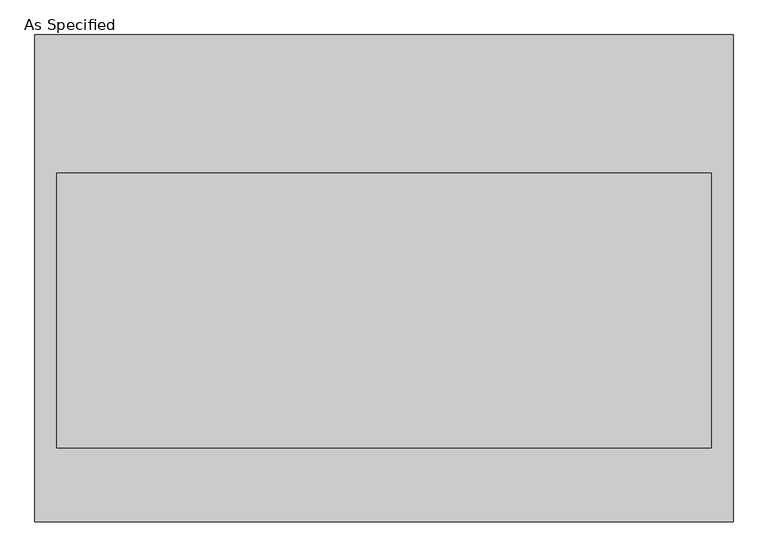
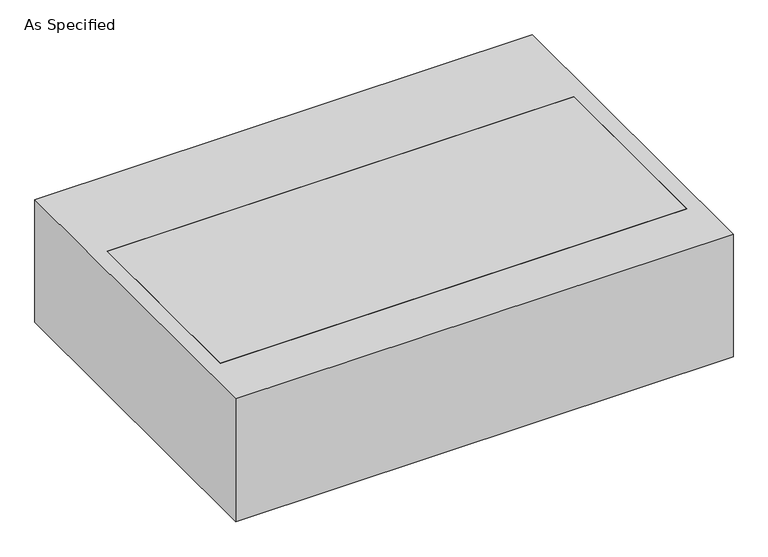
"""IFC4 building model written with IfcOpenShell, lengths in millimetres: proxy geometry, As Specified."""

from ifc_helpers import new_model, si_unit, frame, origin, place, context, project, spatial, polyline, outline, extrude, faceted_brep, source, transform, mapped, element, save


def as_specified_e519e63b(model_context):
    return source(origin(), model_context, "Body", "SolidModel", [
        faceted_brep([(-968.375, 676.275, -25.4), (-968.375, 676.275, -530.225), (-968.375, -676.275, -530.225), (-968.375, -676.275, -25.4), (-908.05, 292.1, -25.4), (-908.05, -469.9, -25.4), (-908.05, -469.9, -373.0625), (-908.05, 292.1, -373.0625), (968.375, 676.275, -25.4), (968.375, -676.275, -25.4), (908.05, 292.1, -25.4), (908.05, -469.9, -25.4), (968.375, -676.275, -530.225), (968.375, 676.275, -530.225), (908.05, 292.1, -373.0625), (908.05, -469.9, -373.0625)], [[[0, 1, 2, 3]], [[4, 5, 6, 7]], [[8, 0, 3, 9], [5, 4, 10, 11]], [[8, 9, 12, 13]], [[12, 9, 3, 2]], [[13, 12, 2, 1]], [[8, 13, 1, 0]], [[4, 7, 14, 10]], [[7, 6, 15, 14]], [[6, 5, 11, 15]], [[11, 10, 14, 15]]]),
        extrude(outline(polyline([(908.05, 292.1), (908.05, -469.9), (-908.05, -469.9), (-908.05, 292.1), (908.05, 292.1)])), frame((0.0, 0.0, -373.0625), z_axis=(0.0, 0.0, 1.0), x_axis=(1.0, 0.0, 0.0)), (0.0, 0.0, 1.0), 347.6625),
    ])


if __name__ == "__main__":
    model = new_model("IFC4")
    model_context = context("Model", 3, world=origin())
    ifc_project = project(units=[si_unit("LENGTHUNIT", "METRE", prefix="MILLI")], contexts=[model_context])
    site = spatial("IfcSite", under=ifc_project)
    building = spatial("IfcBuilding", under=site)
    placement = place(None, origin())
    as_specified_shape = as_specified_e519e63b(model_context)
    element("IfcBuildingElementProxy", 1, Name="As Specified", ObjectType="As Specified", at=placement, inside=building, context=model_context, shape_type="MappedRepresentation", body=[
        mapped(as_specified_shape, transform((0.0, 0.0, 0.0), x_axis=(1.0, 0.0, 0.0), y_axis=(0.0, 1.0, 0.0), z_axis=(0.0, 0.0, 1.0))),
    ])
    save(model, "model.ifc")
